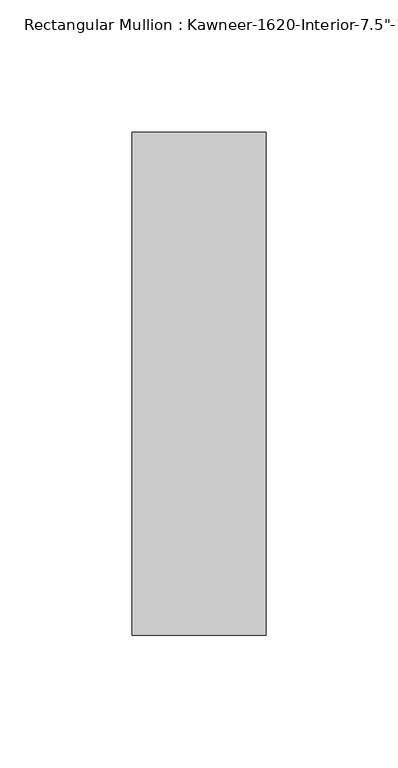
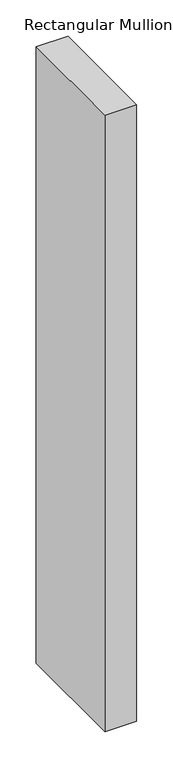
"""IFC4 building model written with IfcOpenShell, lengths in millimetres: member geometry."""

from ifc_helpers import new_model, si_unit, frame, origin, place, context, project, spatial, polyline, outline, extrude, source, transform, mapped, element, save


def member_46fdf956(model_context):
    return source(origin(), model_context, "Body", "SweptSolid", [
        extrude(outline(polyline([(25.4, -161.925), (-25.4, -161.925), (-25.4, 28.575), (25.4, 28.575), (25.4, -161.925)])), frame((0.0, 0.0, -1039.8125), z_axis=(0.0, 0.0, 1.0), x_axis=(1.0, 0.0, 0.0)), (0.0, 0.0, 1.0), 1039.8125),
    ])


if __name__ == "__main__":
    model = new_model("IFC4")
    model_context = context("Model", 3, world=origin())
    ifc_project = project(units=[si_unit("LENGTHUNIT", "METRE", prefix="MILLI")], contexts=[model_context])
    site = spatial("IfcSite", under=ifc_project)
    building = spatial("IfcBuilding", under=site)
    placement = place(None, origin())
    member_shape = member_46fdf956(model_context)
    element("IfcMember", 1, ObjectType="Rectangular Mullion : Kawneer-1620-Interior-7.5\"-1/4\"_1\"Infill", at=placement, inside=building, context=model_context, shape_type="MappedRepresentation", body=[
        mapped(member_shape, transform((0.0, 0.0, 0.0), x_axis=(1.0, 0.0, 0.0), y_axis=(0.0, 1.0, 0.0), z_axis=(0.0, 0.0, 1.0))),
    ])
    save(model, "model.ifc")
